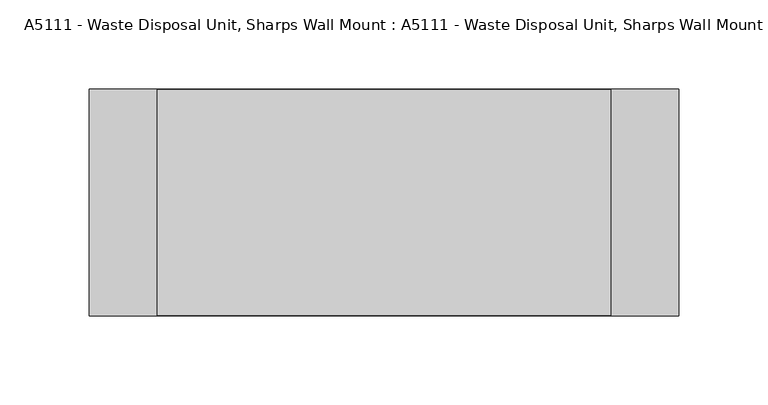
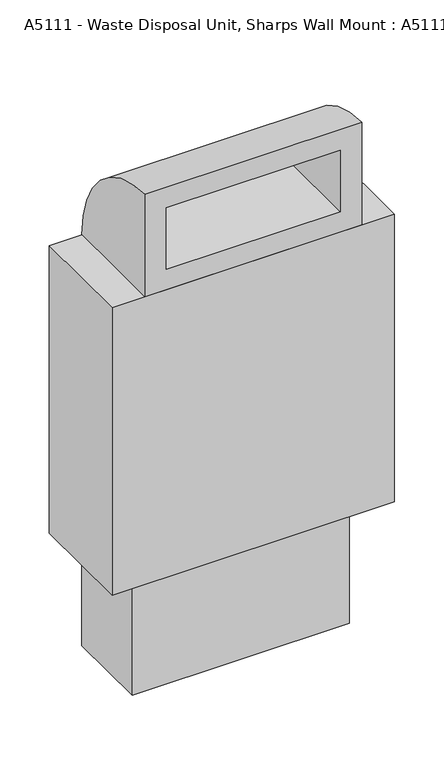
"""IFC4 building model written with IfcOpenShell, lengths in millimetres: proxy geometry, A5111 - Waste Disposal Unit, Sharps Wall Mount : A5111 - Waste Disposal Unit, Sharps Wall Mount."""

from ifc_helpers import new_model, si_unit, frame, origin, origin_with_axes, place, context, project, spatial, polyline, circle_curve, outline, extrude, source, transform, mapped, element, save
from ifc_brep_helpers import plane_surface, cylinder_surface, revolved_surface, advanced_brep


def a5111_waste_disposal_unit_sharps_wall_mount_a5111_waste_137a3a82(model_context):
    return source(origin(), model_context, "Body", "SolidModel", [
        extrude(outline(polyline([(165.1, 0.0), (165.1, -127.0), (-165.1, -127.0), (-165.1, 0.0), (165.1, 0.0)])), frame((0.0, 0.0, 152.4), z_axis=(0.0, 0.0, 1.0), x_axis=(1.0, 0.0, 0.0)), (0.0, 0.0, 1.0), 355.6),
        extrude(outline(polyline([(127.0, -101.6), (-127.0, -101.6), (-127.0, 0.0), (127.0, 0.0), (127.0, -101.6)])), origin_with_axes(), (0.0, 0.0, 1.0), 152.4),
        advanced_brep(
        [(127.0, 0.0, 508.0), (127.0, -127.0, 635.0), (127.0, -127.0, 508.0), (-127.0, 0.0, 508.0), (-127.0, -127.0, 508.0), (-127.0, -127.0, 635.0), (101.6, -127.0, 609.6), (101.6, -127.0, 533.4), (-101.6, -127.0, 533.4), (-101.6, -127.0, 609.6), (101.6, -25.4, 533.4), (-101.6, -25.4, 533.4)],
        [
            (0, 1, circle_curve(frame((127.0, -127.0, 508.0), z_axis=(1.0, 0.0, 0.0), x_axis=(0.0, 1.0, 0.0)), 127.0)),
            (1, 2),
            (2, 0),
            (3, 4),
            (4, 5),
            (5, 3, circle_curve(frame((-127.0, -127.0, 508.0), z_axis=(-1.0, 0.0, 0.0), x_axis=(0.0, 1.0, 0.0)), 127.0)),
            (0, 3),
            (5, 1),
            (4, 2),
            (6, 7),
            (7, 8),
            (8, 9),
            (9, 6),
            (6, 10, circle_curve(frame((101.6, -126.2781346, 504.7291538), z_axis=(-1.0, 0.0, 0.0), x_axis=(0.0, 0.0, 1.0)), 104.8733306)),
            (10, 7),
            (8, 11),
            (11, 9, circle_curve(frame((-101.6, -126.2781346, 504.7291538), z_axis=(1.0, 0.0, 0.0), x_axis=(0.0, 0.0, 1.0)), 104.8733306)),
            (10, 11),
        ],
        [
            plane_surface(frame((127.0, 0.0, 508.0), z_axis=(1.0, 0.0, 0.0), x_axis=(0.0, 0.0, 1.0))),
            plane_surface(frame((-127.0, 0.0, 508.0), z_axis=(-1.0, 0.0, 0.0), x_axis=(0.0, 0.0, -1.0))),
            cylinder_surface(frame((-127.0, -127.0, 508.0), z_axis=(1.0, 0.0, 0.0), x_axis=(0.0, 1.0, 0.0)), 127.0),
            plane_surface(frame((127.0, -127.0, 635.0), z_axis=(0.0, -1.0, 0.0), x_axis=(-1.0, 0.0, 0.0))),
            plane_surface(frame((127.0, -127.0, 508.0), z_axis=(0.0, 0.0, -1.0), x_axis=(-1.0, 0.0, 0.0))),
            plane_surface(frame((101.6, -127.0, 533.4), z_axis=(-1.0, 0.0, 0.0), x_axis=(0.0, 1.0, 0.0))),
            plane_surface(frame((-101.6, -127.0, 533.4), z_axis=(1.0, 0.0, 0.0), x_axis=(0.0, -1.0, 0.0))),
            plane_surface(frame((101.6, -127.0, 533.4), z_axis=(0.0, 0.0, 1.0), x_axis=(-1.0, 0.0, 0.0))),
            revolved_surface(polyline([(101.6, -126.2781346, 609.6024844), (-101.6, -126.2781346, 609.6024844)]), (-101.6, -126.2781346, 504.7291538), (1.0, 0.0, 0.0)),
        ],
        [
            (0, [[1, 2, 3]]),
            (1, [[4, 5, 6]]),
            (2, [[-1, 7, -6, 8]]),
            (3, [[-2, -8, -5, 9], [10, 11, 12, 13]]),
            (4, [[-3, -9, -4, -7]]),
            (5, [[14, 15, -10]]),
            (6, [[16, 17, -12]]),
            (7, [[-15, 18, -16, -11]]),
            (8, [[-14, -13, -17, -18]]),
        ],
    ),
    ])


if __name__ == "__main__":
    model = new_model("IFC4")
    model_context = context("Model", 3, world=origin())
    ifc_project = project(units=[si_unit("LENGTHUNIT", "METRE", prefix="MILLI")], contexts=[model_context])
    site = spatial("IfcSite", under=ifc_project)
    building = spatial("IfcBuilding", under=site)
    placement = place(None, origin())
    a5111_waste_disposal_unit_sharps_wall_mount_a5111_waste_shape = a5111_waste_disposal_unit_sharps_wall_mount_a5111_waste_137a3a82(model_context)
    element("IfcBuildingElementProxy", 1, Name="A5111 - Waste Disposal Unit, Sharps Wall Mount : A5111 - Waste Disposal Unit, Sharps Wall Mount", ObjectType="A5111 - Waste Disposal Unit, Sharps Wall Mount : A5111 - Waste Disposal Unit, Sharps Wall Mount", at=placement, inside=building, context=model_context, shape_type="MappedRepresentation", body=[
        mapped(a5111_waste_disposal_unit_sharps_wall_mount_a5111_waste_shape, transform((0.0, 0.0, 0.0), x_axis=(1.0, 0.0, 0.0), y_axis=(0.0, 1.0, 0.0), z_axis=(0.0, 0.0, 1.0))),
    ])
    save(model, "model.ifc")
